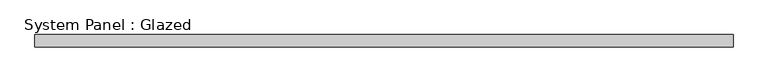
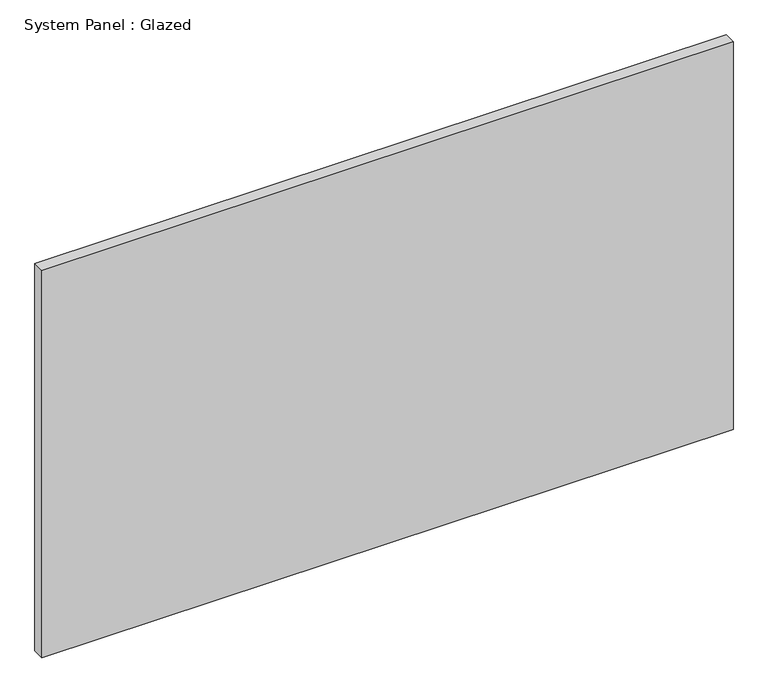
"""IFC4 building model written with IfcOpenShell, lengths in millimetres: plate geometry, System Panel : Glazed."""

from ifc_helpers import new_model, si_unit, origin, origin_with_axes, place, context, project, spatial, polyline, outline, extrude, source, transform, mapped, element, save


def system_panel_glazed_c829e7a8(model_context):
    return source(origin(), model_context, "Body", "SweptSolid", [
        extrude(outline(polyline([(717.55, 19.05), (-717.55, 19.05), (-717.55, 44.45), (717.55, 44.45), (717.55, 19.05)])), origin_with_axes(), (0.0, 0.0, 1.0), 850.9),
    ])


if __name__ == "__main__":
    model = new_model("IFC4")
    model_context = context("Model", 3, world=origin())
    ifc_project = project(units=[si_unit("LENGTHUNIT", "METRE", prefix="MILLI")], contexts=[model_context])
    site = spatial("IfcSite", under=ifc_project)
    building = spatial("IfcBuilding", under=site)
    placement = place(None, origin())
    system_panel_glazed_shape = system_panel_glazed_c829e7a8(model_context)
    element("IfcPlate", 1, ObjectType="System Panel : Glazed", at=placement, inside=building, context=model_context, shape_type="MappedRepresentation", body=[
        mapped(system_panel_glazed_shape, transform((0.0, 0.0, 0.0), x_axis=(1.0, 0.0, 0.0), y_axis=(0.0, 1.0, 0.0), z_axis=(0.0, 0.0, 1.0))),
    ])
    save(model, "model.ifc")
